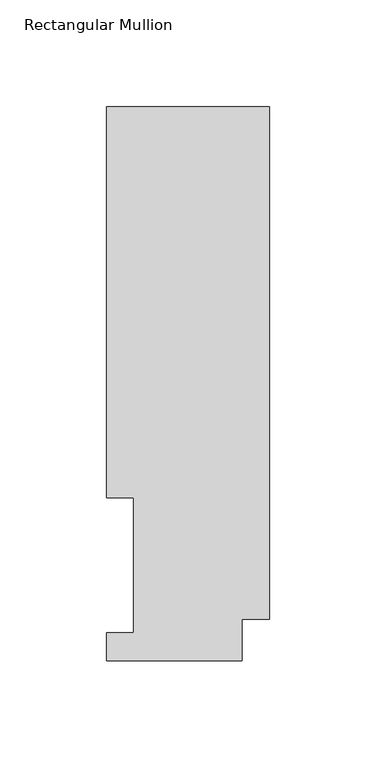
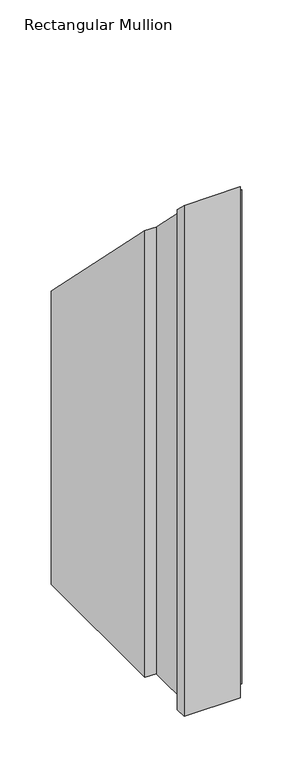
"""IFC4 building model written with IfcOpenShell, lengths in millimetres: member geometry, Rectangular Mullion."""

from ifc_helpers import new_model, si_unit, origin, place, context, project, spatial, faceted_brep, source, transform, mapped, element, save


def rectangular_mullion_aa1d27a4(model_context):
    return source(origin(), model_context, "Body", "Brep", [
        faceted_brep([(-76.2, 76.2992188, -609.6), (-76.2, 259.4586188, -609.6), (0.0, 259.4586188, -609.6), (0.0, 19.5088257, -609.6), (-12.7, 19.5088257, -609.6), (-12.7, -0.0333811, -609.6), (-76.2, -0.0333811, -609.6), (-76.2, 13.1492189, -609.6), (-63.5, 13.1492189, -609.6), (-63.5, 76.2992188, -609.6), (-63.5, 76.2992188, -76.2992187), (-76.2, 76.2992188, -76.2992187), (-63.5, 13.1492189, -13.1492189), (-76.2, 13.1492189, -13.1492189), (-76.2, -0.0333811, 0.0333811), (-12.7, -0.0333811, 0.0333811), (-12.7, 19.5088257, -19.5088257), (0.0, 19.5088257, -19.5088257), (0.0, 259.4586188, -259.4586188), (-76.2, 259.4586188, -259.4586188)], [[[0, 1, 2, 3, 4, 5, 6, 7, 8, 9]], [[10, 11, 0, 9]], [[12, 10, 9, 8]], [[13, 12, 8, 7]], [[14, 13, 7, 6]], [[15, 14, 6, 5]], [[16, 15, 5, 4]], [[17, 16, 4, 3]], [[18, 17, 3, 2]], [[19, 18, 2, 1]], [[11, 19, 1, 0]], [[11, 10, 12, 13, 14, 15, 16, 17, 18, 19]]]),
    ])


if __name__ == "__main__":
    model = new_model("IFC4")
    model_context = context("Model", 3, world=origin())
    ifc_project = project(units=[si_unit("LENGTHUNIT", "METRE", prefix="MILLI")], contexts=[model_context])
    site = spatial("IfcSite", under=ifc_project)
    building = spatial("IfcBuilding", under=site)
    placement = place(None, origin())
    rectangular_mullion_shape = rectangular_mullion_aa1d27a4(model_context)
    element("IfcMember", 1, ObjectType="Rectangular Mullion", at=placement, inside=building, context=model_context, shape_type="MappedRepresentation", body=[
        mapped(rectangular_mullion_shape, transform((0.0, 0.0, 0.0), x_axis=(1.0, 0.0, 0.0), y_axis=(0.0, 1.0, 0.0), z_axis=(0.0, 0.0, 1.0))),
    ])
    save(model, "model.ifc")
